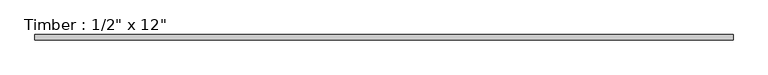
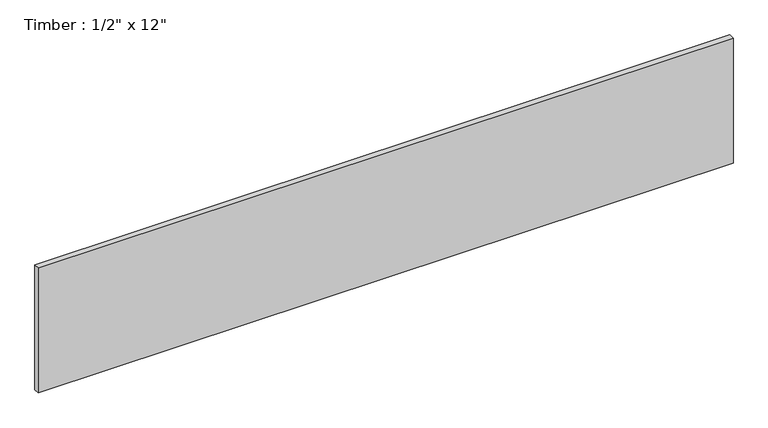
"""IFC4 building model written with IfcOpenShell, lengths in millimetres: beam geometry."""

from ifc_helpers import new_model, si_unit, frame, origin, place, context, project, spatial, polyline, outline, extrude, source, transform, mapped, element, save


def beam_887b9505(model_context):
    return source(origin(), model_context, "Body", "SweptSolid", [
        extrude(outline(polyline([(801.0138776, 6.35), (801.0138776, -6.35), (-801.0138776, -6.35), (-801.0138776, 6.35), (801.0138776, 6.35)])), frame((0.0, 0.0, -152.4), z_axis=(0.0, 0.0, 1.0), x_axis=(1.0, 0.0, 0.0)), (0.0, 0.0, 1.0), 304.8),
    ])


if __name__ == "__main__":
    model = new_model("IFC4")
    model_context = context("Model", 3, world=origin())
    ifc_project = project(units=[si_unit("LENGTHUNIT", "METRE", prefix="MILLI")], contexts=[model_context])
    site = spatial("IfcSite", under=ifc_project)
    building = spatial("IfcBuilding", under=site)
    placement = place(None, origin())
    beam_shape = beam_887b9505(model_context)
    element("IfcBeam", 1, ObjectType="Timber : 1/2\" x 12\"", at=placement, inside=building, context=model_context, shape_type="MappedRepresentation", body=[
        mapped(beam_shape, transform((0.0, 0.0, 0.0), x_axis=(1.0, 0.0, 0.0), y_axis=(0.0, 1.0, 0.0), z_axis=(0.0, 0.0, 1.0))),
    ])
    save(model, "model.ifc")
